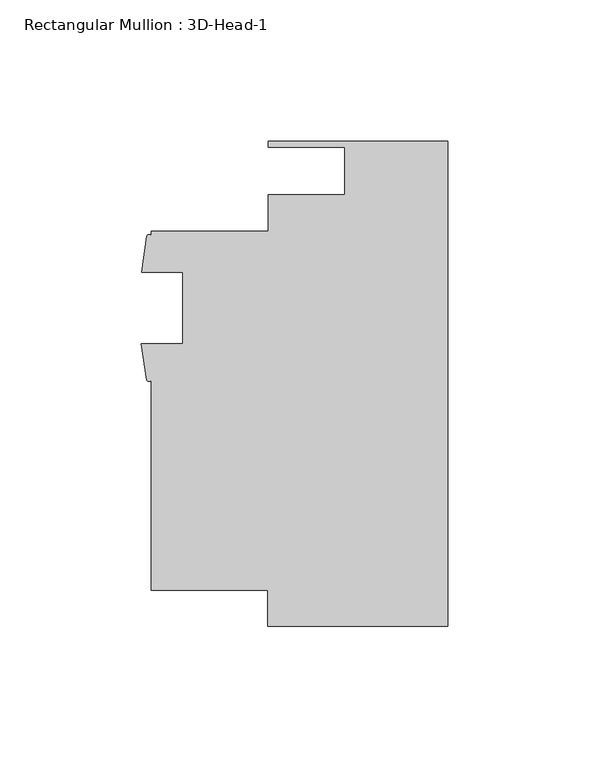
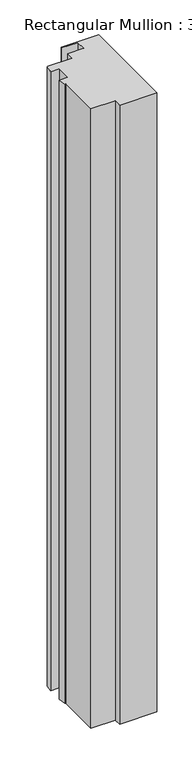
"""IFC4 building model written with IfcOpenShell, lengths in millimetres: member geometry, Rectangular Mullion : 3D-Head-1."""

from ifc_helpers import new_model, si_unit, point, frame, frame_2d, origin, place, context, project, spatial, polyline, circle_curve, trimmed, segment, composite_curve, outline, extrude, source, transform, mapped, element, save


def rectangular_mullion_3d_head_1_7cf7b959(model_context):
    return source(origin(), model_context, "Body", "SweptSolid", [
        extrude(outline(composite_curve([segment(polyline([(0.0, -85.7249999), (-63.5322656, -85.7249999), (-63.5322656, -73.023969), (-104.7749997, -73.023969), (-104.7749997, 1.2994531)]), True, "CONTINUOUS"), segment(trimmed(circle_curve(frame_2d((-105.6067019, 1.8328959)), 0.9880737), [point((-104.7749997, 1.2994531))], [point((-106.4384041, 1.2994531))], False, "CARTESIAN"), True, "CONTINUOUS"), segment(polyline([(-106.4384041, 1.2994531), (-108.2945214, 14.0725059), (-93.6624997, 14.0725059), (-93.6624997, 39.4725059), (-108.1709997, 39.4725059), (-106.3608959, 52.2437935)]), True, "CONTINUOUS"), segment(trimmed(circle_curve(frame_2d((-105.5679478, 51.826203)), 0.8961856), [point((-106.3608959, 52.2437935))], [point((-104.7749997, 52.2437935))], False, "CARTESIAN"), True, "CONTINUOUS"), segment(polyline([(-104.7749997, 52.2437935), (-104.7749997, 53.976031), (-63.4999996, 53.976031), (-63.4999996, 66.7923427), (-36.3401991, 66.7923427), (-36.3401991, 83.6929999), (-63.4999996, 83.6929999), (-63.4999996, 85.7249999), (0.0, 85.7249999), (0.0, -85.7249999)]), True, "CONTINUOUS")], self_intersect=False)), frame((0.0, 0.0, -1112.1964569), z_axis=(0.0, 0.0, 1.0), x_axis=(1.0, 0.0, 0.0)), (0.0, 0.0, 1.0), 1112.1964569),
    ])


if __name__ == "__main__":
    model = new_model("IFC4")
    model_context = context("Model", 3, world=origin())
    ifc_project = project(units=[si_unit("LENGTHUNIT", "METRE", prefix="MILLI")], contexts=[model_context])
    site = spatial("IfcSite", under=ifc_project)
    building = spatial("IfcBuilding", under=site)
    placement = place(None, origin())
    rectangular_mullion_3d_head_1_shape = rectangular_mullion_3d_head_1_7cf7b959(model_context)
    element("IfcMember", 1, ObjectType="Rectangular Mullion : 3D-Head-1", at=placement, inside=building, context=model_context, shape_type="MappedRepresentation", body=[
        mapped(rectangular_mullion_3d_head_1_shape, transform((0.0, 0.0, 0.0), x_axis=(1.0, 0.0, 0.0), y_axis=(0.0, 1.0, 0.0), z_axis=(0.0, 0.0, 1.0))),
    ])
    save(model, "model.ifc")
